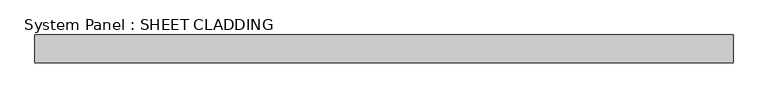
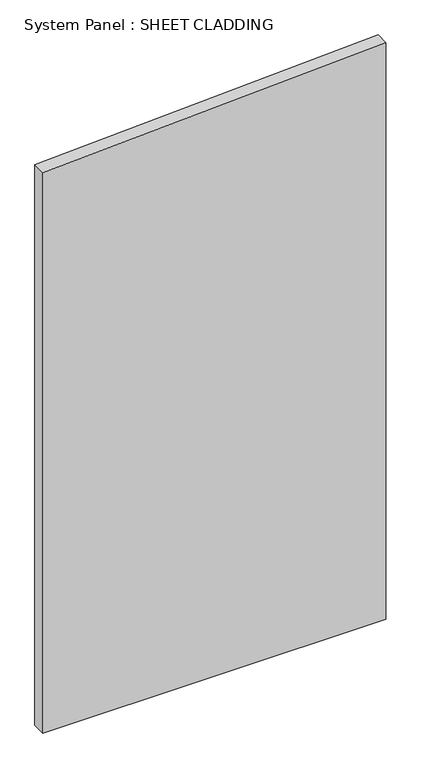
"""IFC4 building model written with IfcOpenShell, lengths in millimetres: plate geometry, System Panel : SHEET CLADDING."""

from ifc_helpers import new_model, si_unit, frame, origin, place, context, project, spatial, polyline, outline, extrude, source, transform, mapped, element, save


def system_panel_sheet_cladding_f21c981b(model_context):
    return source(origin(), model_context, "Body", "SweptSolid", [
        extrude(outline(polyline([(0.0, -750.0), (0.0, 750.0), (2665.0, 750.0), (2590.0, -750.0), (0.0, -750.0)])), frame((0.0, -10.5, 0.0), z_axis=(0.0, 1.0, 0.0), x_axis=(0.0, 0.0, 1.0)), (0.0, 0.0, 1.0), 60.0),
    ])


if __name__ == "__main__":
    model = new_model("IFC4")
    model_context = context("Model", 3, world=origin())
    ifc_project = project(units=[si_unit("LENGTHUNIT", "METRE", prefix="MILLI")], contexts=[model_context])
    site = spatial("IfcSite", under=ifc_project)
    building = spatial("IfcBuilding", under=site)
    placement = place(None, origin())
    system_panel_sheet_cladding_shape = system_panel_sheet_cladding_f21c981b(model_context)
    element("IfcPlate", 1, ObjectType="System Panel : SHEET CLADDING", at=placement, inside=building, context=model_context, shape_type="MappedRepresentation", body=[
        mapped(system_panel_sheet_cladding_shape, transform((0.0, 0.0, 0.0), x_axis=(1.0, 0.0, 0.0), y_axis=(0.0, 1.0, 0.0), z_axis=(0.0, 0.0, 1.0))),
    ])
    save(model, "model.ifc")
